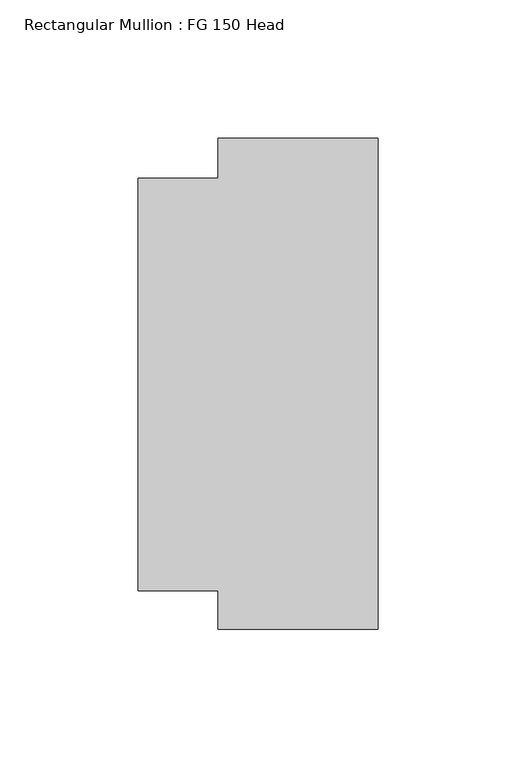
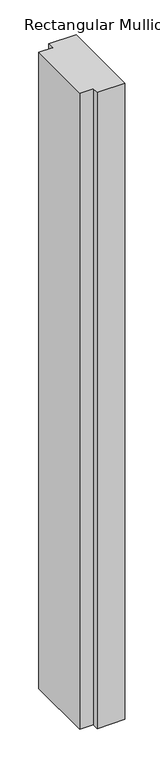
"""IFC4 building model written with IfcOpenShell, lengths in millimetres: member geometry, Rectangular Mullion : FG 150 Head."""

from ifc_helpers import new_model, si_unit, frame, origin, place, context, project, spatial, polyline, outline, extrude, source, transform, mapped, element, save


def rectangular_mullion_fg_150_head_5e285c90(model_context):
    return source(origin(), model_context, "Body", "SweptSolid", [
        extrude(outline(polyline([(0.0, -88.9972639), (-58.0, -88.9972639), (-58.0, -74.9972639), (-87.0, -74.9972639), (-87.0, 74.5027361), (-58.0, 74.5027361), (-58.0, 89.0027361), (0.0, 89.0027361), (0.0, -88.9972639)])), frame((0.0, 0.0, -1421.5338), z_axis=(0.0, 0.0, 1.0), x_axis=(1.0, 0.0, 0.0)), (0.0, 0.0, 1.0), 1421.5338),
    ])


if __name__ == "__main__":
    model = new_model("IFC4")
    model_context = context("Model", 3, world=origin())
    ifc_project = project(units=[si_unit("LENGTHUNIT", "METRE", prefix="MILLI")], contexts=[model_context])
    site = spatial("IfcSite", under=ifc_project)
    building = spatial("IfcBuilding", under=site)
    placement = place(None, origin())
    rectangular_mullion_fg_150_head_shape = rectangular_mullion_fg_150_head_5e285c90(model_context)
    element("IfcMember", 1, ObjectType="Rectangular Mullion : FG 150 Head", at=placement, inside=building, context=model_context, shape_type="MappedRepresentation", body=[
        mapped(rectangular_mullion_fg_150_head_shape, transform((0.0, 0.0, 0.0), x_axis=(1.0, 0.0, 0.0), y_axis=(0.0, 1.0, 0.0), z_axis=(0.0, 0.0, 1.0))),
    ])
    save(model, "model.ifc")
